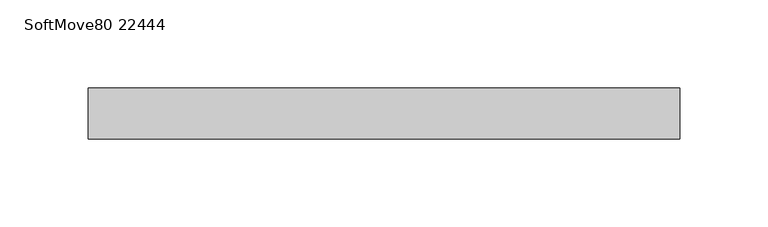
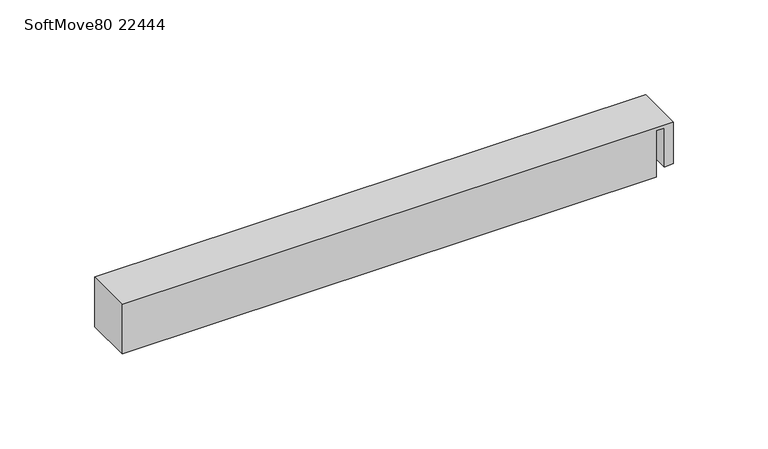
"""IFC4 building model written with IfcOpenShell, lengths in millimetres: proxy geometry, SoftMove80 22444."""

from ifc_helpers import new_model, si_unit, frame, origin, place, context, project, spatial, polyline, outline, extrude, source, transform, mapped, element, save


def softmove80_22444_0740b980(model_context):
    return source(origin(), model_context, "Body", "SweptSolid", [
        extrude(outline(polyline([(32.1, -167.85), (0.0, -167.85), (0.0, 157.6), (30.1, 157.6), (30.1, 162.25), (5.1, 162.25), (5.1, 167.85), (32.1, 167.85), (32.1, -167.85)])), frame((0.0, 0.0, 0.0), z_axis=(0.0, 1.0, 0.0), x_axis=(0.0, 0.0, 1.0)), (0.0, 0.0, 1.0), 29.0),
    ])


if __name__ == "__main__":
    model = new_model("IFC4")
    model_context = context("Model", 3, world=origin())
    ifc_project = project(units=[si_unit("LENGTHUNIT", "METRE", prefix="MILLI")], contexts=[model_context])
    site = spatial("IfcSite", under=ifc_project)
    building = spatial("IfcBuilding", under=site)
    placement = place(None, origin())
    softmove80_22444_shape = softmove80_22444_0740b980(model_context)
    element("IfcBuildingElementProxy", 1, Name="SoftMove80 22444", ObjectType="SoftMove80 22444", at=placement, inside=building, context=model_context, shape_type="MappedRepresentation", body=[
        mapped(softmove80_22444_shape, transform((0.0, 0.0, 0.0), x_axis=(1.0, 0.0, 0.0), y_axis=(0.0, 1.0, 0.0), z_axis=(0.0, 0.0, 1.0))),
    ])
    save(model, "model.ifc")
